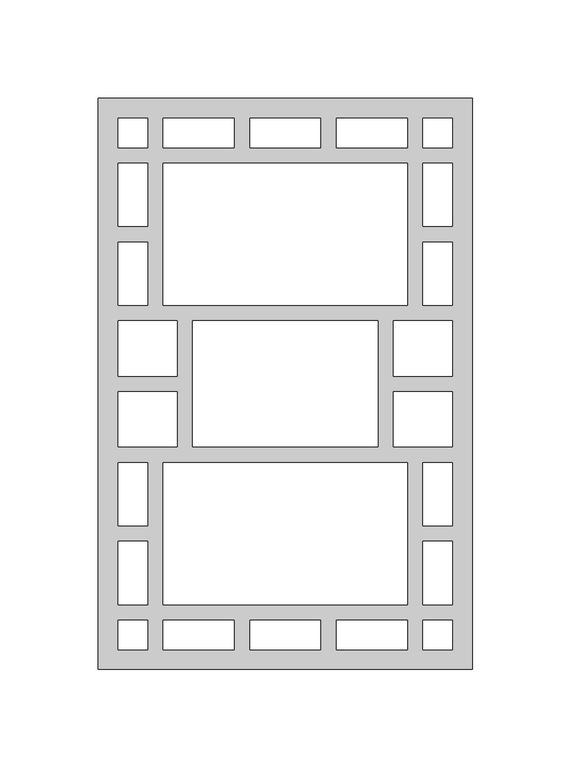
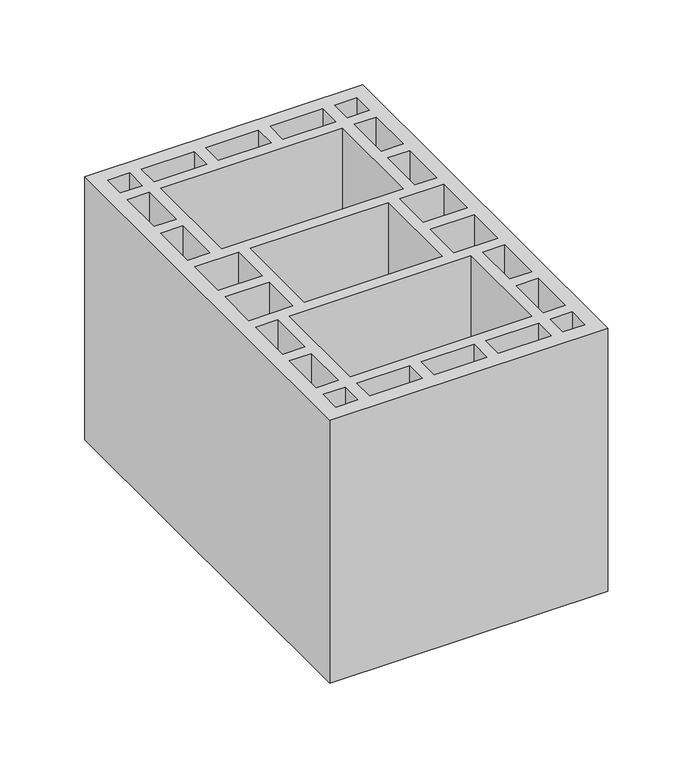
"""IFC4 building model written with IfcOpenShell, lengths in millimetres: proxy geometry."""

from ifc_helpers import new_model, si_unit, origin, origin_with_axes, place, context, project, spatial, polyline, outline, extrude, source, transform, mapped, element, save


def generic_models_c13b8bc7(model_context):
    return source(origin(), model_context, "Body", "SweptSolid", [
        extrude(outline(polyline([(190.0, 0.0), (0.0, 0.0), (0.0, 290.0), (190.0, 290.0), (190.0, 0.0)]), holes=[polyline([(165.0, 10.0), (180.0, 10.0), (180.0, 25.0), (165.0, 25.0), (165.0, 10.0)]), polyline([(25.0, 10.0), (25.0, 25.0), (10.0, 25.0), (10.0, 10.0), (25.0, 10.0)]), polyline([(165.0, 280.0), (165.0, 265.0), (180.0, 265.0), (180.0, 280.0), (165.0, 280.0)]), polyline([(25.0, 280.0), (10.0, 280.0), (10.0, 265.0), (25.0, 265.0), (25.0, 280.0)]), polyline([(157.0, 25.0), (121.0, 25.0), (121.0, 10.0), (157.0, 10.0), (157.0, 25.0)]), polyline([(113.0, 25.0), (77.0, 25.0), (77.0, 10.0), (113.0, 10.0), (113.0, 25.0)]), polyline([(69.0, 25.0), (33.0, 25.0), (33.0, 10.0), (69.0, 10.0), (69.0, 25.0)]), polyline([(157.0, 265.0), (157.0, 280.0), (121.0, 280.0), (121.0, 265.0), (157.0, 265.0)]), polyline([(113.0, 265.0), (113.0, 280.0), (77.0, 280.0), (77.0, 265.0), (113.0, 265.0)]), polyline([(69.0, 265.0), (69.0, 280.0), (33.0, 280.0), (33.0, 265.0), (69.0, 265.0)]), polyline([(33.0, 33.0), (157.0, 33.0), (157.0, 105.0), (33.0, 105.0), (33.0, 33.0)]), polyline([(33.0, 257.0), (33.0, 185.0), (157.0, 185.0), (157.0, 257.0), (33.0, 257.0)]), polyline([(180.0, 33.0), (180.0, 65.0), (165.0, 65.0), (165.0, 33.0), (180.0, 33.0)]), polyline([(10.0, 33.0), (25.0, 33.0), (25.0, 65.0), (10.0, 65.0), (10.0, 33.0)]), polyline([(10.0, 105.0), (10.0, 73.0), (25.0, 73.0), (25.0, 105.0), (10.0, 105.0)]), polyline([(180.0, 105.0), (165.0, 105.0), (165.0, 73.0), (180.0, 73.0), (180.0, 105.0)]), polyline([(180.0, 257.0), (165.0, 257.0), (165.0, 225.0), (180.0, 225.0), (180.0, 257.0)]), polyline([(10.0, 257.0), (10.0, 225.0), (25.0, 225.0), (25.0, 257.0), (10.0, 257.0)]), polyline([(10.0, 185.0), (25.0, 185.0), (25.0, 217.0), (10.0, 217.0), (10.0, 185.0)]), polyline([(180.0, 185.0), (180.0, 217.0), (165.0, 217.0), (165.0, 185.0), (180.0, 185.0)]), polyline([(150.0, 177.0), (150.0, 149.0), (180.0, 149.0), (180.0, 177.0), (150.0, 177.0)]), polyline([(150.0, 113.0), (180.0, 113.0), (180.0, 141.0), (150.0, 141.0), (150.0, 113.0)]), polyline([(48.0, 177.0), (48.0, 113.0), (142.0, 113.0), (142.0, 177.0), (48.0, 177.0)]), polyline([(40.0, 177.0), (10.0, 177.0), (10.0, 149.0), (40.0, 149.0), (40.0, 177.0)]), polyline([(40.0, 113.0), (40.0, 141.0), (10.0, 141.0), (10.0, 113.0), (40.0, 113.0)])]), origin_with_axes(), (0.0, 0.0, 1.0), 190.0),
    ])


if __name__ == "__main__":
    model = new_model("IFC4")
    model_context = context("Model", 3, world=origin())
    ifc_project = project(units=[si_unit("LENGTHUNIT", "METRE", prefix="MILLI")], contexts=[model_context])
    site = spatial("IfcSite", under=ifc_project)
    building = spatial("IfcBuilding", under=site)
    placement = place(None, origin())
    generic_models_shape = generic_models_c13b8bc7(model_context)
    element("IfcBuildingElementProxy", 1, Name="Generic Models", at=placement, inside=building, context=model_context, shape_type="MappedRepresentation", body=[
        mapped(generic_models_shape, transform((0.0, 0.0, 0.0), x_axis=(1.0, 0.0, 0.0), y_axis=(0.0, 1.0, 0.0), z_axis=(0.0, 0.0, 1.0))),
    ])
    save(model, "model.ifc")
